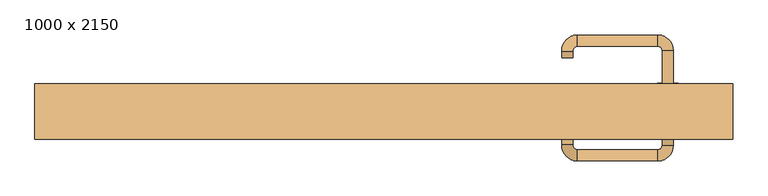
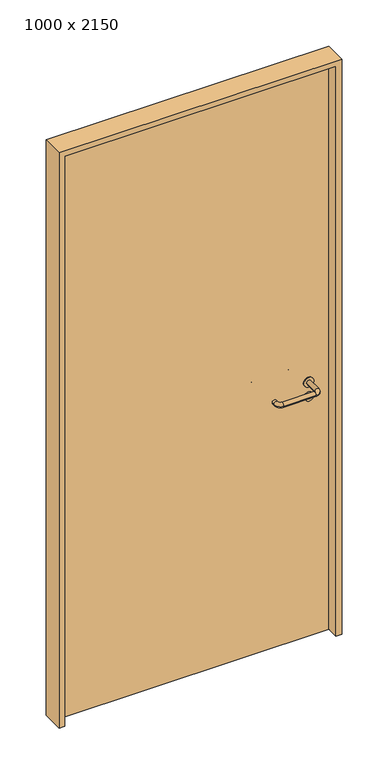
"""IFC4 building model written with IfcOpenShell, lengths in millimetres: door geometry, 1000 x 2150."""

from ifc_helpers import new_model, si_unit, point, frame, frame_2d, origin, origin_with_axes, place, context, project, spatial, polyline, circle_curve, ellipse_curve, trimmed, segment, composite_curve, outline, extrude, source, transform, mapped, element, save
from ifc_brep_helpers import plane_surface, cylinder_surface, revolved_surface, advanced_brep


def door_1000_x_2150_ce2046d4(model_context):
    return source(origin(), model_context, "Body", "SolidModel", [
        extrude(outline(composite_curve([segment(trimmed(circle_curve(frame_2d((897.3605726, 407.0)), 15.0), [point((897.3605726, 422.0))], [point((897.3605726, 392.0))], False, "CARTESIAN"), True, "CONTINUOUS"), segment(trimmed(circle_curve(frame_2d((897.3605726, 407.0)), 15.0), [point((897.3605726, 392.0))], [point((897.3605726, 422.0))], False, "CARTESIAN"), True, "CONTINUOUS")], self_intersect=False), holes=[composite_curve([segment(trimmed(circle_curve(frame_2d((892.5833211, 406.9398032)), 2.0), [point((892.5833211, 408.9398032))], [point((892.5833211, 404.9398032))], True, "CARTESIAN"), True, "CONTINUOUS"), segment(polyline([(892.5833211, 404.9398032), (902.5833211, 404.9398032)]), True, "CONTINUOUS"), segment(trimmed(circle_curve(frame_2d((902.5833211, 406.9398032)), 2.0), [point((902.5833211, 404.9398032))], [point((902.5833211, 408.9398032))], True, "CARTESIAN"), True, "CONTINUOUS"), segment(polyline([(902.5833211, 408.9398032), (892.5833211, 408.9398032)]), True, "CONTINUOUS")], self_intersect=False)]), frame((0.0, -1.35, 0.0), z_axis=(0.0, 1.0, 0.0), x_axis=(0.0, 0.0, 1.0)), (0.0, 0.0, 1.0), 6.35),
        extrude(outline(composite_curve([segment(trimmed(circle_curve(frame_2d((950.0, 407.0)), 17.526), [point((950.0, 424.526))], [point((950.0, 389.474))], False, "CARTESIAN"), True, "CONTINUOUS"), segment(trimmed(circle_curve(frame_2d((950.0, 407.0)), 17.526), [point((950.0, 389.474))], [point((950.0, 424.526))], False, "CARTESIAN"), True, "CONTINUOUS")], self_intersect=False)), frame((0.0, 1.825, 0.0), z_axis=(0.0, 1.0, 0.0), x_axis=(0.0, 0.0, 1.0)), (0.0, 0.0, 1.0), 3.175),
        advanced_brep(
        [(415.0, 5.0, 950.0), (399.0, 5.0, 950.0), (399.0, -48.0, 950.0), (415.0, -48.0, 950.0), (392.8578644, -54.1421356, 950.0), (392.8578644, -70.1421356, 950.0), (277.8578644, -54.1421356, 950.0), (277.8578644, -70.1421356, 950.0), (271.008622, -47.2928932, 950.0), (255.008622, -47.2928932, 950.0), (255.008622, -37.2928932, 950.0), (271.008622, -37.2928932, 950.0)],
        [
            (0, 1, circle_curve(frame((407.0, 5.0, 950.0), z_axis=(0.0, 1.0, 0.0), x_axis=(-1.0, 0.0, 0.0)), 8.0)),
            (1, 0, circle_curve(frame((407.0, 5.0, 950.0), z_axis=(0.0, 1.0, 0.0), x_axis=(-1.0, 0.0, 0.0)), 8.0)),
            (1, 2),
            (2, 3, circle_curve(frame((407.0, -48.0, 950.0), z_axis=(0.0, 1.0, 0.0), x_axis=(-1.0, 0.0, 0.0)), 8.0)),
            (3, 0),
            (3, 2, circle_curve(frame((407.0, -48.0, 950.0), z_axis=(0.0, 1.0, 0.0), x_axis=(-1.0, 0.0, 0.0)), 8.0)),
            (4, 5, circle_curve(frame((392.8578644, -62.1421356, 950.0), z_axis=(1.0, 0.0, 0.0), x_axis=(0.0, 1.0, 0.0)), 8.0)),
            (5, 3, circle_curve(frame((392.8578644, -48.0, 950.0), z_axis=(0.0, 0.0, 1.0), x_axis=(1.0, 0.0, 0.0)), 22.1421356)),
            (2, 4, circle_curve(frame((392.8578644, -48.0, 950.0), z_axis=(0.0, 0.0, -1.0), x_axis=(1.0, 0.0, 0.0)), 6.1421356)),
            (5, 4, circle_curve(frame((392.8578644, -62.1421356, 950.0), z_axis=(1.0, 0.0, 0.0), x_axis=(0.0, 1.0, 0.0)), 8.0)),
            (4, 6),
            (6, 7, circle_curve(frame((277.8578644, -62.1421356, 950.0), z_axis=(1.0, 0.0, 0.0), x_axis=(0.0, 1.0, 0.0)), 8.0)),
            (7, 5),
            (7, 6, circle_curve(frame((277.8578644, -62.1421356, 950.0), z_axis=(1.0, 0.0, 0.0), x_axis=(0.0, 1.0, 0.0)), 8.0)),
            (8, 9, circle_curve(frame((263.008622, -47.2928932, 950.0), z_axis=(0.0, -1.0, 0.0), x_axis=(1.0, 0.0, 0.0)), 8.0)),
            (9, 7, circle_curve(frame((277.8578644, -47.2928932, 950.0), z_axis=(0.0, 0.0, 1.0), x_axis=(0.0, -1.0, 0.0)), 22.8492424)),
            (6, 8, circle_curve(frame((277.8578644, -47.2928932, 950.0), z_axis=(0.0, 0.0, -1.0), x_axis=(0.0, -1.0, 0.0)), 6.8492424)),
            (9, 8, circle_curve(frame((263.008622, -47.2928932, 950.0), z_axis=(0.0, -1.0, 0.0), x_axis=(1.0, 0.0, 0.0)), 8.0)),
            (10, 11, circle_curve(frame((263.008622, -37.2928932, 950.0), z_axis=(0.0, 1.0, 0.0), x_axis=(1.0, 0.0, 0.0)), 8.0)),
            (11, 10, circle_curve(frame((263.008622, -37.2928932, 950.0), z_axis=(0.0, 1.0, 0.0), x_axis=(1.0, 0.0, 0.0)), 8.0)),
            (8, 11),
            (10, 9),
        ],
        [
            plane_surface(frame((407.0, 5.0, 0.0), z_axis=(0.0, 1.0, 0.0), x_axis=(0.0, 0.0, 1.0))),
            cylinder_surface(frame((407.0, 5.0, 950.0), z_axis=(0.0, 1.0, 0.0), x_axis=(-1.0, 0.0, 0.0)), 8.0),
            revolved_surface(trimmed(ellipse_curve(frame((407.0, -48.0, 950.0), z_axis=(0.0, -1.0, 0.0), x_axis=(-1.0, 0.0, 0.0)), 8.0, 8.0), [point((415.0, -48.0, 950.0))], [point((399.0, -48.0, 950.0))], True, "CARTESIAN"), (392.8578644, -48.0, 0.0), (0.0, 0.0, 1.0)),
            revolved_surface(trimmed(ellipse_curve(frame((407.0, -48.0, 950.0), z_axis=(0.0, -1.0, 0.0), x_axis=(-1.0, 0.0, 0.0)), 8.0, 8.0), [point((399.0, -48.0, 950.0))], [point((415.0, -48.0, 950.0))], True, "CARTESIAN"), (392.8578644, -48.0, 0.0), (0.0, 0.0, 1.0)),
            cylinder_surface(frame((392.8578644, -62.1421356, 950.0), z_axis=(1.0, 0.0, 0.0), x_axis=(0.0, 1.0, 0.0)), 8.0),
            revolved_surface(trimmed(ellipse_curve(frame((277.8578644, -62.1421356, 950.0), z_axis=(-1.0, 0.0, 0.0), x_axis=(0.0, 1.0, 0.0)), 8.0, 8.0), [point((277.8578644, -70.1421356, 950.0))], [point((277.8578644, -54.1421356, 950.0))], True, "CARTESIAN"), (277.8578644, -47.2928932, 0.0), (0.0, 0.0, 1.0)),
            revolved_surface(trimmed(ellipse_curve(frame((277.8578644, -62.1421356, 950.0), z_axis=(-1.0, 0.0, 0.0), x_axis=(0.0, 1.0, 0.0)), 8.0, 8.0), [point((277.8578644, -54.1421356, 950.0))], [point((277.8578644, -70.1421356, 950.0))], True, "CARTESIAN"), (277.8578644, -47.2928932, 0.0), (0.0, 0.0, 1.0)),
            plane_surface(frame((263.008622, -37.2928932, 0.0), z_axis=(0.0, 1.0, 0.0), x_axis=(0.0, 0.0, 1.0))),
            cylinder_surface(frame((263.008622, -47.2928932, 950.0), z_axis=(0.0, -1.0, 0.0), x_axis=(1.0, 0.0, 0.0)), 8.0),
        ],
        [
            (0, [[1, 2]]),
            (1, [[3, 4, 5, -2]]),
            (1, [[-5, 6, -3, -1]]),
            (2, [[7, 8, -4, 9]]),
            (3, [[10, -9, -6, -8]]),
            (4, [[11, 12, 13, -7]]),
            (4, [[-13, 14, -11, -10]]),
            (5, [[15, 16, -12, 17]]),
            (6, [[18, -17, -14, -16]]),
            (7, [[19, 20]]),
            (8, [[21, -19, 22, -15]]),
            (8, [[-22, -20, -21, -18]]),
        ],
    ),
        extrude(outline(composite_curve([segment(trimmed(circle_curve(frame_2d((0.0, -15.0)), 15.0), [point((0.0, -30.0))], [point((0.0, 0.0))], False, "CARTESIAN"), True, "CONTINUOUS"), segment(trimmed(circle_curve(frame_2d((0.0, -15.0)), 15.0), [point((0.0, 0.0))], [point((0.0, -30.0))], False, "CARTESIAN"), True, "CONTINUOUS")], self_intersect=False), holes=[composite_curve([segment(trimmed(circle_curve(frame_2d((4.7772515, -14.9398032)), 2.0), [point((4.7772515, -16.9398032))], [point((4.7772515, -12.9398032))], True, "CARTESIAN"), True, "CONTINUOUS"), segment(polyline([(4.7772515, -12.9398032), (-5.2227485, -12.9398032)]), True, "CONTINUOUS"), segment(trimmed(circle_curve(frame_2d((-5.2227485, -14.9398032)), 2.0), [point((-5.2227485, -12.9398032))], [point((-5.2227485, -16.9398032))], True, "CARTESIAN"), True, "CONTINUOUS"), segment(polyline([(-5.2227485, -16.9398032), (4.7772515, -16.9398032)]), True, "CONTINUOUS")], self_intersect=False)]), frame((392.0, 35.0, 897.3605726), z_axis=(1.8870575173328306e-12, 1.0, 0.0), x_axis=(0.0, 0.0, -1.0)), (0.0, 0.0, 1.0), 6.35),
        extrude(outline(composite_curve([segment(trimmed(circle_curve(frame_2d((0.0, -17.526)), 17.526), [point((0.0, -35.052))], [point((0.0, 0.0))], False, "CARTESIAN"), True, "CONTINUOUS"), segment(trimmed(circle_curve(frame_2d((0.0, -17.526)), 17.526), [point((0.0, 0.0))], [point((0.0, -35.052))], False, "CARTESIAN"), True, "CONTINUOUS")], self_intersect=False)), frame((389.474, 35.0, 950.0), z_axis=(1.8870575173328306e-12, 1.0, 0.0), x_axis=(0.0, 0.0, -1.0)), (0.0, 0.0, 1.0), 3.175),
        advanced_brep(
        [(415.0, 35.0, 950.0), (399.0, 35.0, 950.0), (415.0, 88.0, 950.0), (399.0, 88.0, 950.0), (392.8578644, 94.1421356, 950.0), (392.8578644, 110.1421356, 950.0), (277.8578644, 110.1421356, 950.0), (277.8578644, 94.1421356, 950.0), (271.008622, 87.2928932, 950.0), (255.008622, 87.2928932, 950.0), (255.008622, 77.2928932, 950.0), (271.008622, 77.2928932, 950.0)],
        [
            (0, 1, circle_curve(frame((407.0, 35.0, 950.0), z_axis=(-1.888672253512351e-12, -1.0, 0.0), x_axis=(-1.0, 1.888672253512351e-12, 0.0)), 8.0)),
            (1, 0, circle_curve(frame((407.0, 35.0, 950.0), z_axis=(-1.888672253512351e-12, -1.0, 0.0), x_axis=(-1.0, 1.888672253512351e-12, 0.0)), 8.0)),
            (0, 2),
            (2, 3, circle_curve(frame((407.0, 88.0, 950.0), z_axis=(-1.888672253512351e-12, -1.0, 0.0), x_axis=(-1.0, 1.888672253512351e-12, 0.0)), 8.0)),
            (3, 1),
            (3, 2, circle_curve(frame((407.0, 88.0, 950.0), z_axis=(-1.888672253512351e-12, -1.0, 0.0), x_axis=(-1.0, 1.888672253512351e-12, 0.0)), 8.0)),
            (4, 3, circle_curve(frame((392.8578644, 88.0, 950.0), z_axis=(0.0, 0.0, -1.0), x_axis=(1.0, -1.880717803715015e-12, 0.0)), 6.1421356)),
            (2, 5, circle_curve(frame((392.8578644, 88.0, 950.0), z_axis=(0.0, 0.0, 1.0), x_axis=(1.0, -1.880717803715015e-12, 0.0)), 22.1421356)),
            (5, 4, circle_curve(frame((392.8578644, 102.1421356, 950.0), z_axis=(1.0, -1.913702061528922e-12, 0.0), x_axis=(-1.913702061528922e-12, -1.0, 0.0)), 8.0)),
            (4, 5, circle_curve(frame((392.8578644, 102.1421356, 950.0), z_axis=(1.0, -1.913702061528922e-12, 0.0), x_axis=(-1.913702061528922e-12, -1.0, 0.0)), 8.0)),
            (5, 6),
            (6, 7, circle_curve(frame((277.8578644, 102.1421356, 950.0), z_axis=(1.0, -1.913719828541269e-12, 0.0), x_axis=(-1.913719828541269e-12, -1.0, 0.0)), 8.0)),
            (7, 4),
            (7, 6, circle_curve(frame((277.8578644, 102.1421356, 950.0), z_axis=(1.0, -1.913719828541269e-12, 0.0), x_axis=(-1.913719828541269e-12, -1.0, 0.0)), 8.0)),
            (8, 7, circle_curve(frame((277.8578644, 87.2928932, 950.0), z_axis=(0.0, 0.0, -1.0), x_axis=(1.9120873253494017e-12, 1.0, 0.0)), 6.8492424)),
            (6, 9, circle_curve(frame((277.8578644, 87.2928932, 950.0), z_axis=(0.0, 0.0, 1.0), x_axis=(1.9120873253494017e-12, 1.0, 0.0)), 22.8492424)),
            (9, 8, circle_curve(frame((263.008622, 87.2928932, 950.0), z_axis=(1.890448610351751e-12, 1.0, 0.0), x_axis=(1.0, -1.890448610351751e-12, 0.0)), 8.0)),
            (8, 9, circle_curve(frame((263.008622, 87.2928932, 950.0), z_axis=(1.8888942981172756e-12, 1.0, 0.0), x_axis=(1.0, -1.8888942981172756e-12, 0.0)), 8.0)),
            (10, 11, circle_curve(frame((263.008622, 77.2928932, 950.0), z_axis=(-1.8903642334018795e-12, -1.0, 0.0), x_axis=(1.0, -1.8903642334018795e-12, 0.0)), 8.0)),
            (11, 10, circle_curve(frame((263.008622, 77.2928932, 950.0), z_axis=(-1.8903642334018795e-12, -1.0, 0.0), x_axis=(1.0, -1.8903642334018795e-12, 0.0)), 8.0)),
            (9, 10),
            (11, 8),
        ],
        [
            plane_surface(frame((407.0, 35.0, 0.0), z_axis=(-1.8870575173328306e-12, -1.0, 0.0), x_axis=(0.0, 0.0, 1.0))),
            cylinder_surface(frame((407.0, 35.0, 950.0), z_axis=(-1.888672253512351e-12, -1.0, 0.0), x_axis=(-1.0, 1.888672253512351e-12, 0.0)), 8.0),
            revolved_surface(trimmed(ellipse_curve(frame((407.0, 88.0, 950.0), z_axis=(-1.8823325398945356e-12, -1.0, 0.0), x_axis=(-1.0, 1.8823325398945356e-12, 0.0)), 8.0, 8.0), [point((415.0, 88.0, 950.0))], [point((399.0, 88.0, 950.0))], True, "CARTESIAN"), (392.8578644, 88.0, 0.0), (0.0, 0.0, 1.0)),
            revolved_surface(trimmed(ellipse_curve(frame((407.0, 88.0, 950.0), z_axis=(-1.8823325398945356e-12, -1.0, 0.0), x_axis=(-1.0, 1.8823325398945356e-12, 0.0)), 8.0, 8.0), [point((399.0, 88.0, 950.0))], [point((415.0, 88.0, 950.0))], True, "CARTESIAN"), (392.8578644, 88.0, 0.0), (0.0, 0.0, 1.0)),
            cylinder_surface(frame((392.8578644, 102.1421356, 950.0), z_axis=(1.0, -1.913719828541269e-12, 0.0), x_axis=(-1.913719828541269e-12, -1.0, 0.0)), 8.0),
            revolved_surface(trimmed(ellipse_curve(frame((277.8578644, 102.1421356, 950.0), z_axis=(1.0, -1.913702061528922e-12, 0.0), x_axis=(-1.913702061528922e-12, -1.0, 0.0)), 8.0, 8.0), [point((277.8578644, 110.1421356, 950.0))], [point((277.8578644, 94.1421356, 950.0))], True, "CARTESIAN"), (277.8578644, 87.2928932, 0.0), (0.0, 0.0, 1.0)),
            revolved_surface(trimmed(ellipse_curve(frame((277.8578644, 102.1421356, 950.0), z_axis=(1.0, -1.913702061528922e-12, 0.0), x_axis=(-1.913702061528922e-12, -1.0, 0.0)), 8.0, 8.0), [point((277.8578644, 94.1421356, 950.0))], [point((277.8578644, 110.1421356, 950.0))], True, "CARTESIAN"), (277.8578644, 87.2928932, 0.0), (0.0, 0.0, 1.0)),
            plane_surface(frame((263.008622, 77.2928932, 0.0), z_axis=(-1.8887494972223595e-12, -1.0, 0.0), x_axis=(0.0, 0.0, 1.0))),
            cylinder_surface(frame((263.008622, 87.2928932, 950.0), z_axis=(1.8903642334018795e-12, 1.0, 0.0), x_axis=(1.0, -1.8903642334018795e-12, 0.0)), 8.0),
        ],
        [
            (0, [[1, 2]]),
            (1, [[-1, 3, 4, 5]]),
            (1, [[-2, -5, 6, -3]]),
            (2, [[7, -4, 8, 9]]),
            (3, [[-8, -6, -7, 10]]),
            (4, [[-9, 11, 12, 13]]),
            (4, [[-10, -13, 14, -11]]),
            (5, [[15, -12, 16, 17]]),
            (6, [[-16, -14, -15, 18]]),
            (7, [[19, 20]]),
            (8, [[-17, 21, -20, 22]]),
            (8, [[-18, -22, -19, -21]]),
        ],
    ),
        extrude(outline(polyline([(2130.0, 480.0), (0.0, 480.0), (0.0, 500.0), (2150.0, 500.0), (2150.0, -500.0), (0.0, -500.0), (0.0, -480.0), (2130.0, -480.0), (2130.0, 480.0)])), frame((0.0, -39.0, 0.0), z_axis=(0.0, 1.0, 0.0), x_axis=(0.0, 0.0, 1.0)), (0.0, 0.0, 1.0), 79.0),
        extrude(outline(polyline([(-480.0, 35.0), (480.0, 35.0), (480.0, 5.0), (-480.0, 5.0), (-480.0, 35.0)])), origin_with_axes(), (0.0, 0.0, 1.0), 2130.0),
    ])


if __name__ == "__main__":
    model = new_model("IFC4")
    model_context = context("Model", 3, world=origin())
    ifc_project = project(units=[si_unit("LENGTHUNIT", "METRE", prefix="MILLI")], contexts=[model_context])
    site = spatial("IfcSite", under=ifc_project)
    building = spatial("IfcBuilding", under=site)
    placement = place(None, origin())
    door_1000_x_2150_shape = door_1000_x_2150_ce2046d4(model_context)
    element("IfcDoor", 1, ObjectType="1000 x 2150", at=placement, inside=building, context=model_context, shape_type="MappedRepresentation", body=[
        mapped(door_1000_x_2150_shape, transform((0.0, 0.0, 0.0), x_axis=(1.0, 0.0, 0.0), y_axis=(0.0, 1.0, 0.0), z_axis=(0.0, 0.0, 1.0))),
    ])
    save(model, "model.ifc")
